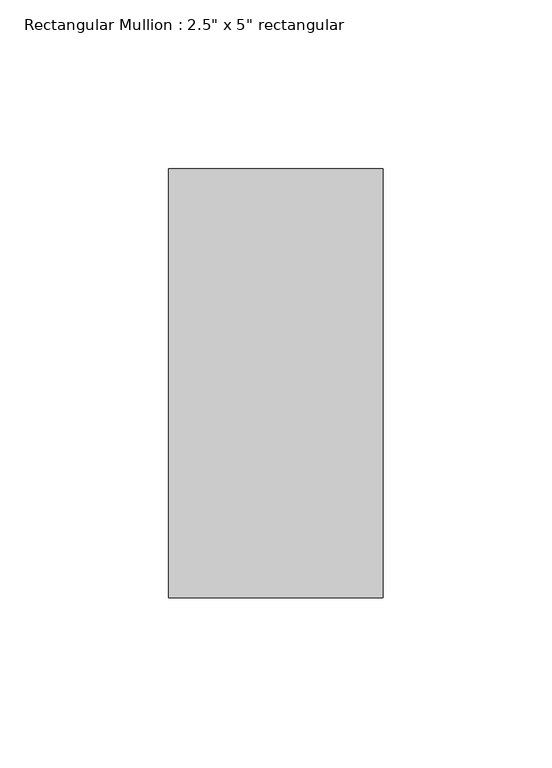
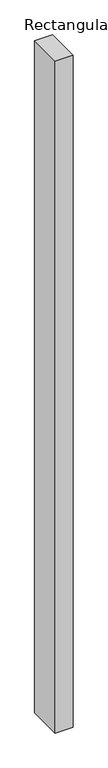
"""IFC4 building model written with IfcOpenShell, lengths in millimetres: member geometry."""

import ifcopenshell
import ifcopenshell.guid

model = None  # the IFC model being written
_history = None  # IfcOwnerHistory: only IFC2X3 demands one
_inside = {}  # id of a spatial element -> (the spatial element, [elements in it])
_under = {}  # id of a project, library or spatial element -> (it, [spatial elements below it])
_declared = {}  # id of a project -> (the project, [libraries it declares])
_typed = {}  # id of a type object -> (the type object, [elements of that type])
_made_of = {}  # id of a material, layer set ... -> (it, [elements and type objects made of it])


def new_model(schema):
    """Start an empty IFC model of exactly this schema.

    Asked for "IFC4X3", IfcOpenShell would pick the latest addendum, in which some entities
    have other attributes; the version numbers below select the first issue.
    IFC2X3 requires an IfcOwnerHistory on every rooted entity: one is made here for all.
    """
    global model, _history
    if schema == "IFC4X3":
        model = ifcopenshell.file(schema_version=(4, 3, 0, 0))
    else:
        model = ifcopenshell.file(schema=schema)
    _inside.clear()
    _under.clear()
    _declared.clear()
    _typed.clear()
    _made_of.clear()
    _history = None
    if model.schema == "IFC2X3":
        org = make("IfcOrganization", Name="unknown")
        user = make(
            "IfcPersonAndOrganization",
            ThePerson=make("IfcPerson", FamilyName="unknown"),
            TheOrganization=org,
        )
        app = make(
            "IfcApplication",
            ApplicationDeveloper=org,
            Version="unknown",
            ApplicationFullName="unknown",
            ApplicationIdentifier="unknown",
        )
        _history = make(
            "IfcOwnerHistory",
            OwningUser=user,
            OwningApplication=app,
            ChangeAction="ADDED",
            CreationDate=0,
        )
    return model


def make(cls, **values):
    """One entity of the class cls with the attributes given. An attribute that is None is left unset."""
    return model.create_entity(
        cls, **{name: value for name, value in values.items() if value is not None}
    )


def rooted(cls, **values):
    """An entity with a GlobalId (a new one), such as an element, a storey or a relation."""
    return make(cls, GlobalId=ifcopenshell.guid.new(), OwnerHistory=_history, **values)


def si_unit(unit_type, name, prefix=None):
    """IfcSIUnit, for example si_unit("LENGTHUNIT", "METRE", prefix="MILLI")."""
    return make("IfcSIUnit", UnitType=unit_type, Prefix=prefix, Name=name)


def assignment(units):
    """IfcUnitAssignment: the units of a project."""
    return None if units is None else make("IfcUnitAssignment", Units=units)


def point(xyz):
    """IfcCartesianPoint."""
    return None if xyz is None else make("IfcCartesianPoint", Coordinates=xyz)


def direction(xyz):
    """IfcDirection."""
    return None if xyz is None else make("IfcDirection", DirectionRatios=xyz)


def frame(location, z_axis=None, x_axis=None):
    """IfcAxis2Placement3D, a coordinate frame: its origin and axes. An axis left out is left unset."""
    return make(
        "IfcAxis2Placement3D",
        Location=point(location),
        Axis=direction(z_axis),
        RefDirection=direction(x_axis),
    )


def origin():
    """The frame at (0, 0, 0) with its axes left unset."""
    return frame((0.0, 0.0, 0.0))


def place(relative_to, where):
    """IfcLocalPlacement: puts the frame where relative to a parent placement (None: the world)."""
    return make(
        "IfcLocalPlacement", PlacementRelTo=relative_to, RelativePlacement=where
    )


def context(
    kind, dimensions, precision=None, world=None, true_north=None, identifier=None
):
    """IfcGeometricRepresentationContext, for example the 3D "Model" context."""
    return make(
        "IfcGeometricRepresentationContext",
        ContextIdentifier=identifier,
        ContextType=kind,
        CoordinateSpaceDimension=dimensions,
        Precision=precision,
        WorldCoordinateSystem=world,
        TrueNorth=true_north,
    )


def project(units=None, contexts=None):
    """IfcProject with its units and contexts."""
    return rooted(
        "IfcProject",
        Name="project",
        RepresentationContexts=contexts,
        UnitsInContext=assignment(units),
    )


def spatial(cls, under=None, at=None, **own):
    """A site, building, storey or space (cls), placed at a placement, below another one or the project."""
    s = rooted(cls, ObjectPlacement=at, **own)
    if under is not None:
        _under.setdefault(under.id(), (under, []))[1].append(s)
    return s


def polyline(points):
    """IfcPolyline through the points."""
    return make("IfcPolyline", Points=[point(p) for p in points])


def outline(outer, holes=None, kind="AREA"):
    """IfcArbitraryClosedProfileDef: a profile drawn as a closed curve; with holes, ...WithVoids."""
    if holes is None:
        return make("IfcArbitraryClosedProfileDef", ProfileType=kind, OuterCurve=outer)
    return make(
        "IfcArbitraryProfileDefWithVoids",
        ProfileType=kind,
        OuterCurve=outer,
        InnerCurves=holes,
    )


def extrude(swept, where, along, depth):
    """IfcExtrudedAreaSolid: the profile swept, set in the frame where, extruded along a direction by depth."""
    return make(
        "IfcExtrudedAreaSolid",
        SweptArea=swept,
        Position=where,
        ExtrudedDirection=direction(along),
        Depth=depth,
    )


def shape(context_of_items, identifier, shape_type, items):
    """IfcShapeRepresentation: the items that make up one representation, for example the "Body"."""
    return make(
        "IfcShapeRepresentation",
        ContextOfItems=context_of_items,
        RepresentationIdentifier=identifier,
        RepresentationType=shape_type,
        Items=items,
    )


def source(mapping_origin, context_of_items, identifier, shape_type, items):
    """IfcRepresentationMap: a shape defined once, which mapped items show again and again."""
    return make(
        "IfcRepresentationMap",
        MappingOrigin=mapping_origin,
        MappedRepresentation=shape(context_of_items, identifier, shape_type, items),
    )


def transform(
    local_origin,
    x_axis=None,
    y_axis=None,
    z_axis=None,
    scale=None,
    scale2=None,
    scale3=None,
    uniform=True,
):
    """IfcCartesianTransformationOperator3D, or its non-uniform kind. x_axis, y_axis, z_axis: its Axis1, 2, 3."""
    if uniform:
        return make(
            "IfcCartesianTransformationOperator3D",
            Axis1=direction(x_axis),
            Axis2=direction(y_axis),
            LocalOrigin=point(local_origin),
            Scale=scale,
            Axis3=direction(z_axis),
        )
    return make(
        "IfcCartesianTransformationOperator3DnonUniform",
        Axis1=direction(x_axis),
        Axis2=direction(y_axis),
        LocalOrigin=point(local_origin),
        Scale=scale,
        Axis3=direction(z_axis),
        Scale2=scale2,
        Scale3=scale3,
    )


def mapped(mapping_source, mapping_target):
    """IfcMappedItem: shows the shape of a source again, moved by a transform."""
    return make(
        "IfcMappedItem", MappingSource=mapping_source, MappingTarget=mapping_target
    )


def made_of(thing, what):
    """Note that an element or type object is made of a material, layer set ...; save() writes the relation."""
    if what is not None:
        _made_of.setdefault(what.id(), (what, []))[1].append(thing)
    return thing


def element(
    cls,
    number,
    at=None,
    inside=None,
    cuts=None,
    type_object=None,
    material=None,
    context=None,
    identifier="Body",
    shape_type=None,
    held_by="IfcProductDefinitionShape",
    body=None,
    shapes=None,
    **own,
):
    """One element of the class cls, such as IfcWall. Its Tag is "e" and its number.

    at: its placement. inside: the storey or other place that contains it. cuts: it is an
    opening in that element (IfcRelVoidsElement). A single representation is given by context,
    identifier, shape_type and body (its items); several are given by shapes. held_by: the class
    of the entity that holds the representations. save() writes the other relations.
    """
    e = rooted(cls, Tag="e%d" % number, ObjectPlacement=at, **own)
    if body is not None:
        shapes = [shape(context, identifier, shape_type, body)]
    if shapes is not None:
        e.Representation = make(held_by, Representations=shapes)
    if inside is not None:
        _inside.setdefault(inside.id(), (inside, []))[1].append(e)
    if cuts is not None:
        rooted(
            "IfcRelVoidsElement", RelatingBuildingElement=cuts, RelatedOpeningElement=e
        )
    if type_object is not None:
        _typed.setdefault(type_object.id(), (type_object, []))[1].append(e)
    return made_of(e, material)


def aggregate(whole, parts):
    """IfcRelAggregates: a whole, such as a stair, and the parts it consists of."""
    return rooted("IfcRelAggregates", RelatingObject=whole, RelatedObjects=parts)


def save(model, path):
    """Write the relations noted so far, then the file.

    IfcRelAggregates (storeys below a building ...), IfcRelContainedInSpatialStructure (elements
    in a storey), IfcRelDefinesByType, IfcRelAssociatesMaterial and IfcRelDeclares: one each for
    every whole, place, type object, material and project.
    """
    for whole, parts in _under.values():
        aggregate(whole, parts)
    for where, things in _inside.values():
        rooted(
            "IfcRelContainedInSpatialStructure",
            RelatedElements=things,
            RelatingStructure=where,
        )
    for kind, things in _typed.values():
        rooted("IfcRelDefinesByType", RelatedObjects=things, RelatingType=kind)
    for what, things in _made_of.values():
        rooted("IfcRelAssociatesMaterial", RelatedObjects=things, RelatingMaterial=what)
    for by, libraries in _declared.values():
        rooted("IfcRelDeclares", RelatingContext=by, RelatedDefinitions=libraries)
    model.write(path)


def member_b98175a0(model_context):
    return source(origin(), model_context, "Body", "SweptSolid", [
        extrude(outline(polyline([(0.0, 63.5), (0.0, -63.5), (-63.5, -63.5), (-63.5, 63.5), (0.0, 63.5)])), frame((0.0, 0.0, -2530.5674361), z_axis=(0.0, 0.0, 1.0), x_axis=(1.0, 0.0, 0.0)), (0.0, 0.0, 1.0), 2530.5674361),
    ])


if __name__ == "__main__":
    model = new_model("IFC4")
    model_context = context("Model", 3, world=origin())
    ifc_project = project(units=[si_unit("LENGTHUNIT", "METRE", prefix="MILLI")], contexts=[model_context])
    site = spatial("IfcSite", under=ifc_project)
    building = spatial("IfcBuilding", under=site)
    placement = place(None, origin())
    member_shape = member_b98175a0(model_context)
    element("IfcMember", 1, ObjectType="Rectangular Mullion : 2.5\" x 5\" rectangular", at=placement, inside=building, context=model_context, shape_type="MappedRepresentation", body=[
        mapped(member_shape, transform((0.0, 0.0, 0.0), x_axis=(1.0, 0.0, 0.0), y_axis=(0.0, 1.0, 0.0), z_axis=(0.0, 0.0, 1.0))),
    ])
    save(model, "model.ifc")
